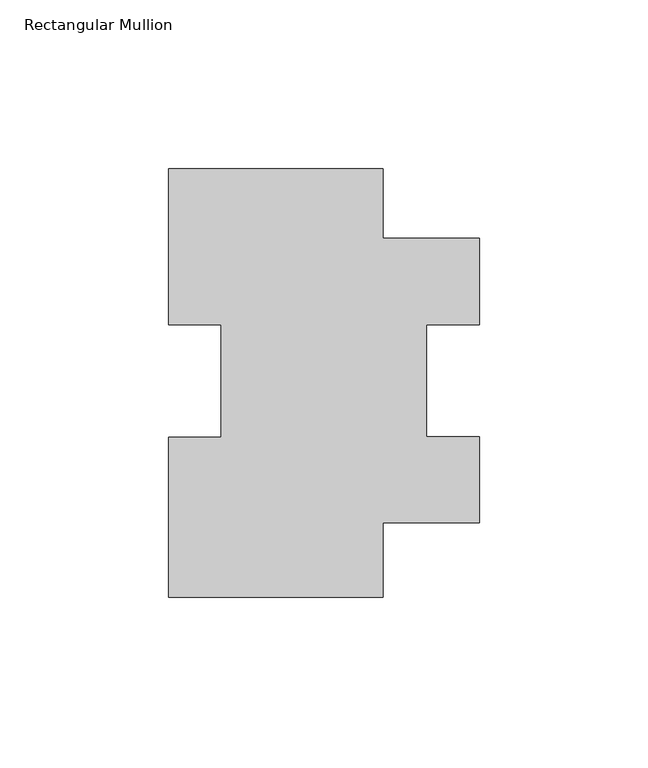
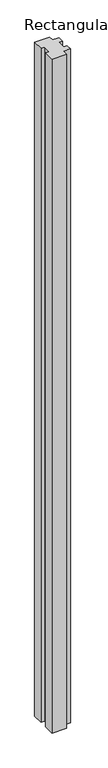
"""IFC4 building model written with IfcOpenShell, lengths in millimetres: member geometry, Rectangular Mullion."""

from ifc_helpers import new_model, si_unit, frame, origin, place, context, project, spatial, polyline, outline, extrude, source, transform, mapped, element, save


def rectangular_mullion_cb05f692(model_context):
    return source(origin(), model_context, "Body", "SweptSolid", [
        extrude(outline(polyline([(-28.575, -127.0), (-92.075, -127.0), (-92.075, -79.5761412), (-76.581, -79.5761412), (-76.581, -46.1812654), (-92.075, -46.1812654), (-92.075, 0.0), (-28.575, 0.0), (-28.575, -20.5486), (0.0, -20.5486), (0.0, -46.1812654), (-15.621, -46.1812654), (-15.621, -79.4616043), (0.0, -79.4616043), (0.0, -104.8766), (-28.575, -104.8766), (-28.575, -127.0)])), frame((0.0, 0.0, -3048.0), z_axis=(0.0, 0.0, 1.0), x_axis=(1.0, 0.0, 0.0)), (0.0, 0.0, 1.0), 3048.0),
    ])


if __name__ == "__main__":
    model = new_model("IFC4")
    model_context = context("Model", 3, world=origin())
    ifc_project = project(units=[si_unit("LENGTHUNIT", "METRE", prefix="MILLI")], contexts=[model_context])
    site = spatial("IfcSite", under=ifc_project)
    building = spatial("IfcBuilding", under=site)
    placement = place(None, origin())
    rectangular_mullion_shape = rectangular_mullion_cb05f692(model_context)
    element("IfcMember", 1, ObjectType="Rectangular Mullion", at=placement, inside=building, context=model_context, shape_type="MappedRepresentation", body=[
        mapped(rectangular_mullion_shape, transform((0.0, 0.0, 0.0), x_axis=(1.0, 0.0, 0.0), y_axis=(0.0, 1.0, 0.0), z_axis=(0.0, 0.0, 1.0))),
    ])
    save(model, "model.ifc")
